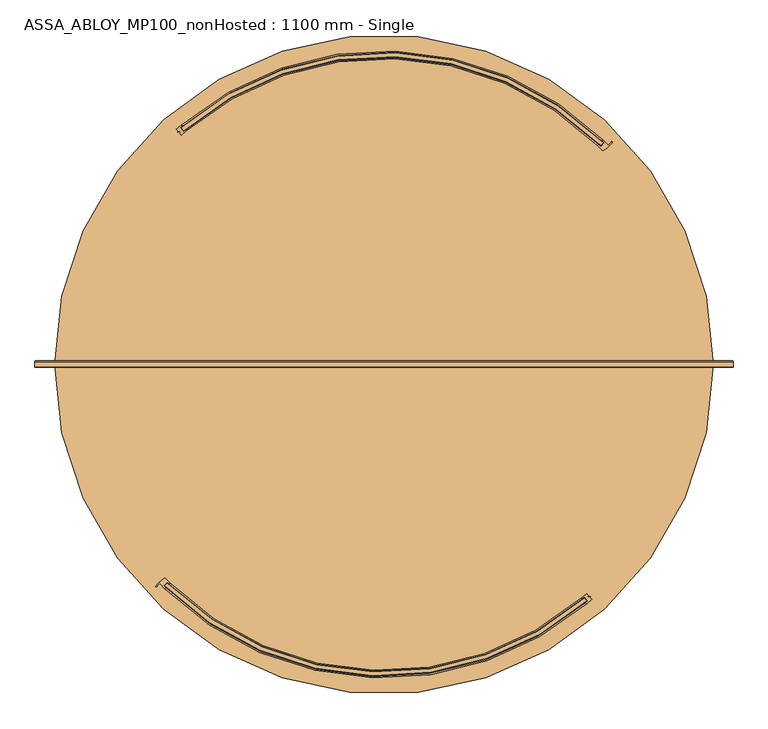
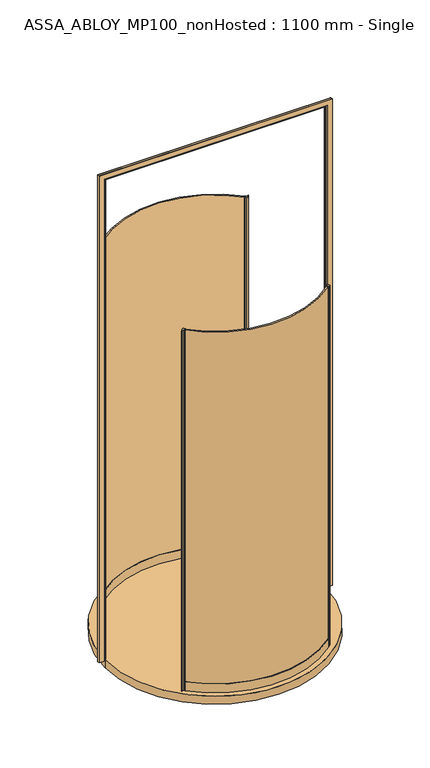
"""IFC4 building model written with IfcOpenShell, lengths in millimetres: door geometry, ASSA_ABLOY_MP100_nonHosted : 1100 mm - Single."""

from ifc_helpers import new_model, si_unit, point, frame, origin, origin_with_axes, origin_2d, place, context, project, spatial, polyline, circle_curve, ellipse_curve, trimmed, segment, composite_curve, outline, extrude, source, transform, mapped, element, save
from ifc_brep_helpers import plane_surface, cylinder_surface, revolved_surface, advanced_brep


def assa_abloy_mp100_nonhosted_1100_mm_single_00d1bc43(model_context):
    return source(origin(), model_context, "Body", "SolidModel", [
        extrude(outline(composite_curve([segment(trimmed(circle_curve(origin_2d(), 811.0), [point((-570.5467938, -576.3656444))], [point((527.7901271, -615.7585417))], True, "CARTESIAN"), True, "CONTINUOUS"), segment(polyline([(527.7901271, -615.7585417), (534.2527059, -623.3899632)]), True, "CONTINUOUS"), segment(trimmed(circle_curve(origin_2d(), 821.0), [point((534.2527059, -623.3899632))], [point((-577.5380783, -583.5158679))], False, "CARTESIAN"), True, "CONTINUOUS"), segment(polyline([(-577.5380783, -583.5158679), (-570.5467938, -576.3656444)]), True, "CONTINUOUS")], self_intersect=False)), origin_with_axes(), (0.0, 0.0, 1.0), 3000.0),
        extrude(outline(composite_curve([segment(polyline([(533.7320011, -603.9587328), (538.1381376, -609.1617774), (536.2303158, -610.7773936), (538.4921786, -613.4483442), (542.9676446, -611.336699), (543.6838658, -612.1824583), (542.3328773, -614.1151911), (546.6597375, -619.2246211)]), True, "CONTINUOUS"), segment(trimmed(circle_curve(origin_2d(), 826.0), [point((546.6597375, -619.2246211))], [point((533.7996152, -630.3443272))], False, "CARTESIAN"), True, "CONTINUOUS"), segment(polyline([(533.7996152, -630.3443272), (531.8608756, -628.054941)]), True, "CONTINUOUS"), segment(trimmed(circle_curve(origin_2d(), 823.0), [point((531.8608756, -628.054941))], [point((537.1835382, -623.5084974))], True, "CARTESIAN"), True, "CONTINUOUS"), segment(polyline([(537.1835382, -623.5084974), (528.1357541, -612.8243021)]), True, "CONTINUOUS"), segment(trimmed(circle_curve(origin_2d(), 809.0), [point((528.1357541, -612.8243021))], [point((522.6665724, -617.4954689))], False, "CARTESIAN"), True, "CONTINUOUS"), segment(polyline([(522.6665724, -617.4954689), (520.874685, -615.0817527)]), True, "CONTINUOUS"), segment(trimmed(circle_curve(origin_2d(), 806.0), [point((520.874685, -615.0817527))], [point((533.7320011, -603.9587328))], True, "CARTESIAN"), True, "CONTINUOUS")], self_intersect=False)), origin_with_axes(), (0.0, 0.0, 1.0), 3000.0),
        advanced_brep(
        [(-570.5480348, -573.5438015, 0.0), (-580.2493679, -583.6397745, 0.0), (-575.2379597, -588.5273597, 0.0), (-577.3165807, -590.6905367, 0.0), (-591.1628236, -576.824374, 0.0), (-598.3277619, -585.5163218, 0.0), (-600.8993118, -584.2003641, 0.0), (-579.0321791, -563.9142679, 0.0), (-575.3501747, -564.4128948, 0.0), (-563.4591077, -576.2693564, 0.0), (-565.5377286, -578.4325335, 0.0), (-570.5480348, -573.5438015, 3000.0), (-565.5377286, -578.4325335, 3000.0), (-563.4591077, -576.2693564, 3000.0), (-575.3501747, -564.4128948, 3000.0), (-579.0321791, -563.9142679, 3000.0), (-600.8993118, -584.2003641, 3000.0), (-598.3415678, -585.5091083, 3000.0), (-591.1628236, -576.824374, 3000.0), (-577.3165807, -590.6905367, 3000.0), (-575.2379597, -588.5273597, 3000.0), (-580.2493679, -583.6397745, 3000.0)],
        [
            (0, 1),
            (1, 2, circle_curve(frame((-248.5480336, -248.5480336, 0.0), z_axis=(0.0, 0.0, 1.0), x_axis=(-0.7071067811865529, 0.707106781186542, 0.0)), 471.5)),
            (2, 3),
            (3, 4, circle_curve(frame((-248.5480336, -248.5480336, 0.0), z_axis=(0.0, 0.0, -1.0), x_axis=(-0.7071067811865529, 0.707106781186542, 0.0)), 474.5)),
            (4, 5, circle_curve(frame((-574.144606, -598.1518865, 0.0), z_axis=(0.0, 0.0, 1.0), x_axis=(-0.7071067811865529, 0.707106781186542, 0.0)), 27.285207)),
            (5, 6, circle_curve(frame((-599.6148555, -584.8438225, 0.0), z_axis=(0.0, 0.0, -1.0), x_axis=(-0.7071067811865529, 0.707106781186542, 0.0)), 1.4366164)),
            (6, 7, circle_curve(frame((-543.451307, -624.1969482, 0.0), z_axis=(0.0, 0.0, -1.0), x_axis=(-0.7071067811865529, 0.707106781186542, 0.0)), 70.0)),
            (7, 8, circle_curve(frame((-577.5072846, -566.4978114, 0.0), z_axis=(0.0, 0.0, -1.0), x_axis=(-0.7071067811865529, 0.707106781186542, 0.0)), 3.0)),
            (8, 9, circle_curve(frame((-248.5480336, -248.5480336, 0.0), z_axis=(0.0, 0.0, 1.0), x_axis=(-0.7071067811865529, 0.707106781186542, 0.0)), 454.5)),
            (9, 10),
            (10, 0, circle_curve(frame((-248.5480336, -248.5480336, 0.0), z_axis=(0.0, 0.0, -1.0), x_axis=(-0.7071067811865529, 0.707106781186542, 0.0)), 457.5)),
            (11, 12, circle_curve(frame((-248.5480336, -248.5480336, 3000.0), z_axis=(0.0, 0.0, 1.0), x_axis=(-0.7071067811865529, 0.707106781186542, 0.0)), 457.5)),
            (12, 13),
            (13, 14, circle_curve(frame((-248.5480336, -248.5480336, 3000.0), z_axis=(0.0, 0.0, -1.0), x_axis=(-0.7071067811865529, 0.707106781186542, 0.0)), 454.5)),
            (14, 15, circle_curve(frame((-577.5072846, -566.4978114, 3000.0), z_axis=(0.0, 0.0, 1.0), x_axis=(-0.7071067811865529, 0.707106781186542, 0.0)), 3.0)),
            (15, 16, circle_curve(frame((-543.451307, -624.1969482, 3000.0), z_axis=(0.0, 0.0, 1.0), x_axis=(-0.7071067811865529, 0.707106781186542, 0.0)), 70.0)),
            (16, 17, circle_curve(frame((-599.6148555, -584.8438225, 3000.0), z_axis=(0.0, 0.0, 1.0), x_axis=(-0.7071067811865529, 0.707106781186542, 0.0)), 1.4366164)),
            (17, 18, circle_curve(frame((-574.144606, -598.1518865, 3000.0), z_axis=(0.0, 0.0, -1.0), x_axis=(-0.7071067811865529, 0.707106781186542, 0.0)), 27.285207)),
            (18, 19, circle_curve(frame((-248.5480336, -248.5480336, 3000.0), z_axis=(0.0, 0.0, 1.0), x_axis=(-0.7071067811865529, 0.707106781186542, 0.0)), 474.5)),
            (19, 20),
            (20, 21, circle_curve(frame((-248.5480336, -248.5480336, 3000.0), z_axis=(0.0, 0.0, -1.0), x_axis=(-0.7071067811865529, 0.707106781186542, 0.0)), 471.5)),
            (21, 11),
            (0, 11),
            (21, 1),
            (20, 2),
            (19, 3),
            (18, 4),
            (8, 14),
            (13, 9),
            (12, 10),
            (17, 5),
            (16, 6),
            (15, 7),
        ],
        [
            plane_surface(frame((-569.9280656, -569.9280656, 0.0), z_axis=(0.0, 0.0, -1.0000000000000002), x_axis=(-0.7071067811865421, -0.707106781186553, 0.0))),
            plane_surface(frame((-569.9280656, -569.9280656, 3000.0), z_axis=(0.0, 0.0, 1.0000000000000002), x_axis=(-0.7071067811865421, -0.707106781186553, 0.0))),
            plane_surface(frame((-570.5480348, -573.5438015, 0.0), z_axis=(0.7210590160944298, -0.6928736503208451, 0.0), x_axis=(0.0, 0.0, 1.0))),
            revolved_surface(polyline([(-581.9488809294596, 84.85281372945457, 3000.0), (-581.9488809294596, 84.85281372945457, 0.0)]), (-248.5480336, -248.5480336, 0.0), (0.0, 0.0, 1.0)),
            plane_surface(frame((-575.2379597, -588.5273597, 0.0), z_axis=(0.7210590160945622, -0.6928736503207074, 0.0), x_axis=(0.0, 0.0, 1.0))),
            cylinder_surface(frame((-248.5480336, -248.5480336, 0.0), z_axis=(0.0, 0.0, -1.0), x_axis=(-0.7071067811865529, 0.707106781186542, 0.0)), 474.5),
            revolved_surface(polyline([(-569.9280656492883, 72.83199844928333, 3000.0), (-569.9280656492883, 72.83199844928333, 0.0)]), (-248.5480336, -248.5480336, 0.0), (0.0, 0.0, 1.0)),
            plane_surface(frame((-563.4591077, -576.2693564, 0.0), z_axis=(0.721059016094641, -0.6928736503206255, 0.0), x_axis=(0.0, 0.0, 1.0))),
            cylinder_surface(frame((-248.5480336, -248.5480336, 0.0), z_axis=(0.0, 0.0, -1.0), x_axis=(-0.7071067811865529, 0.707106781186542, 0.0)), 457.5),
            revolved_surface(polyline([(-593.4381608957788, -578.8583316042216, 3000.0), (-593.4381608957788, -578.8583316042216, 0.0)]), (-574.144606, -598.1518865, 0.0), (0.0, 0.0, 1.0)),
            cylinder_surface(frame((-599.6148555, -584.8438225, 0.0), z_axis=(0.0, 0.0, -1.0), x_axis=(-0.7071067811865529, 0.707106781186542, 0.0)), 1.4366164),
            cylinder_surface(frame((-543.451307, -624.1969482, 0.0), z_axis=(0.0, 0.0, -1.0), x_axis=(-0.7071067811865529, 0.707106781186542, 0.0)), 70.0),
            cylinder_surface(frame((-577.5072846, -566.4978114, 0.0), z_axis=(0.0, 0.0, -1.0), x_axis=(-0.7071067811865529, 0.707106781186542, 0.0)), 3.0),
        ],
        [
            (0, [[1, 2, 3, 4, 5, 6, 7, 8, 9, 10, 11]]),
            (1, [[12, 13, 14, 15, 16, 17, 18, 19, 20, 21, 22]]),
            (2, [[-1, 23, -22, 24]]),
            (3, [[-2, -24, -21, 25]]),
            (4, [[-3, -25, -20, 26]]),
            (5, [[-4, -26, -19, 27]]),
            (6, [[-9, 28, -14, 29]]),
            (7, [[-10, -29, -13, 30]]),
            (8, [[-11, -30, -12, -23]]),
            (9, [[-5, -27, -18, 31]]),
            (10, [[-6, -31, -17, 32]]),
            (11, [[-7, -32, -16, 33]]),
            (12, [[-8, -33, -15, -28]]),
        ],
    ),
        advanced_brep(
        [(-563.4869482, -576.2971969, 73.0), (-563.4869482, -576.2971969, 0.0), (-565.5842942, -578.4422237, 0.0), (-565.5842942, -578.4422237, 24.0), (-575.3719086, -588.4523487, 24.0), (-575.3719086, -588.4523487, 0.0), (-577.4692546, -590.5973755, 0.0), (-577.4692546, -590.5973755, 73.0), (-575.3719086, -588.4523487, 73.0), (-575.3719086, -588.4523487, 39.0), (-565.5842942, -578.4422237, 39.0), (-565.5842942, -578.4422237, 73.0), (520.874685, -615.0817527, 73.0), (522.8134245, -617.3711389, 73.0), (522.8134245, -617.3711389, 39.0), (531.8608756, -628.054941, 39.0), (531.8608756, -628.054941, 73.0), (533.7996152, -630.3443272, 73.0), (533.7996152, -630.3443272, 0.0), (531.8608756, -628.054941, 0.0), (531.8608756, -628.054941, 24.0), (522.8134245, -617.3711389, 24.0), (522.8134245, -617.3711389, 0.0), (520.874685, -615.0817527, 0.0)],
        [
            (0, 1),
            (1, 2),
            (2, 3),
            (3, 4),
            (4, 5),
            (5, 6),
            (6, 7),
            (7, 8),
            (8, 9),
            (9, 10),
            (10, 11),
            (11, 0),
            (12, 13),
            (13, 14),
            (14, 15),
            (15, 16),
            (16, 17),
            (17, 18),
            (18, 19),
            (19, 20),
            (20, 21),
            (21, 22),
            (22, 23),
            (23, 12),
            (23, 1, circle_curve(frame((0.0, 0.0, 0.0), z_axis=(0.0, 0.0, -1.0), x_axis=(-0.6991153203487666, -0.7150089292125249, 0.0)), 806.0)),
            (0, 12, circle_curve(frame((0.0, 0.0, 73.0), z_axis=(0.0, 0.0, 1.0), x_axis=(-0.6991153203487666, -0.7150089292125249, 0.0)), 806.0)),
            (22, 2, circle_curve(frame((0.0, 0.0, 0.0), z_axis=(0.0, 0.0, -1.0), x_axis=(-0.6991153203487666, -0.7150089292125249, 0.0)), 809.0)),
            (21, 3, circle_curve(frame((0.0, 0.0, 24.0), z_axis=(0.0, 0.0, -1.0), x_axis=(-0.6991153203487666, -0.7150089292125249, 0.0)), 809.0)),
            (20, 4, circle_curve(frame((0.0, 0.0, 24.0), z_axis=(0.0, 0.0, -1.0), x_axis=(-0.6991153203487666, -0.7150089292125249, 0.0)), 823.0)),
            (19, 5, circle_curve(frame((0.0, 0.0, 0.0), z_axis=(0.0, 0.0, -1.0), x_axis=(-0.6991153203487666, -0.7150089292125249, 0.0)), 823.0)),
            (18, 6, circle_curve(frame((0.0, 0.0, 0.0), z_axis=(0.0, 0.0, -1.0), x_axis=(-0.6991153203487666, -0.7150089292125249, 0.0)), 826.0)),
            (17, 7, circle_curve(frame((0.0, 0.0, 73.0), z_axis=(0.0, 0.0, -1.0), x_axis=(-0.6991153203487666, -0.7150089292125249, 0.0)), 826.0)),
            (16, 8, circle_curve(frame((0.0, 0.0, 73.0), z_axis=(0.0, 0.0, -1.0), x_axis=(-0.6991153203487666, -0.7150089292125249, 0.0)), 823.0)),
            (15, 9, circle_curve(frame((0.0, 0.0, 39.0), z_axis=(0.0, 0.0, -1.0), x_axis=(-0.6991153203487666, -0.7150089292125249, 0.0)), 823.0)),
            (14, 10, circle_curve(frame((0.0, 0.0, 39.0), z_axis=(0.0, 0.0, -1.0), x_axis=(-0.6991153203487666, -0.7150089292125249, 0.0)), 809.0)),
            (13, 11, circle_curve(frame((0.0, 0.0, 73.0), z_axis=(0.0, 0.0, -1.0), x_axis=(-0.6991153203487666, -0.7150089292125249, 0.0)), 809.0)),
        ],
        [
            plane_surface(frame((-563.4869482, -576.2971969, 0.0), z_axis=(-0.7150089292125249, 0.6991153203487666, 0.0), x_axis=(0.0, 0.0, 1.0))),
            plane_surface(frame((520.874685, -615.0817527, 0.0), z_axis=(0.7631287254543887, 0.6462465074461605, 0.0), x_axis=(0.0, 0.0, 1.0))),
            revolved_surface(polyline([(-563.4869482011059, -576.2971969452951, 73.00000000000003), (-563.4869482011059, -576.2971969452951, 0.0)]), (0.0, 0.0, 0.0), (0.0, 0.0, 1.0000000000000002)),
            plane_surface(frame((0.0, 0.0, 0.0), z_axis=(0.0, 0.0, -1.0), x_axis=(-0.6991153203487666, -0.7150089292125249, 0.0))),
            cylinder_surface(frame((0.0, 0.0, 0.0), z_axis=(0.0, 0.0, 1.0000000000000002), x_axis=(-0.6991153203487666, -0.7150089292125249, 0.0)), 809.0),
            plane_surface(frame((0.0, 0.0, 24.0), z_axis=(0.0, 0.0, -1.0), x_axis=(-0.6991153203487666, -0.7150089292125249, 0.0))),
            revolved_surface(polyline([(-575.3719086470348, -588.4523487419079, 24.000000000000014), (-575.3719086470348, -588.4523487419079, 0.0)]), (0.0, 0.0, 0.0), (0.0, 0.0, 1.0000000000000002)),
            cylinder_surface(frame((0.0, 0.0, 0.0), z_axis=(0.0, 0.0, 1.0000000000000002), x_axis=(-0.6991153203487666, -0.7150089292125249, 0.0)), 826.0),
            plane_surface(frame((0.0, 0.0, 73.0), z_axis=(0.0, 0.0, 1.0), x_axis=(-0.6991153203487666, -0.7150089292125249, 0.0))),
            revolved_surface(polyline([(-575.3719086470348, -588.4523487419079, 73.00000000000003), (-575.3719086470348, -588.4523487419079, 39.000000000000014)]), (0.0, 0.0, 0.0), (0.0, 0.0, 1.0000000000000002)),
            plane_surface(frame((0.0, 0.0, 39.0), z_axis=(0.0, 0.0, 1.0), x_axis=(-0.6991153203487666, -0.7150089292125249, 0.0))),
        ],
        [
            (0, [[1, 2, 3, 4, 5, 6, 7, 8, 9, 10, 11, 12]]),
            (1, [[13, 14, 15, 16, 17, 18, 19, 20, 21, 22, 23, 24]]),
            (2, [[25, -1, 26, -24]]),
            (3, [[27, -2, -25, -23]]),
            (4, [[28, -3, -27, -22]]),
            (5, [[29, -4, -28, -21]]),
            (6, [[30, -5, -29, -20]]),
            (3, [[31, -6, -30, -19]]),
            (7, [[32, -7, -31, -18]]),
            (8, [[33, -8, -32, -17]]),
            (9, [[34, -9, -33, -16]]),
            (10, [[35, -10, -34, -15]]),
            (4, [[36, -11, -35, -14]]),
            (8, [[-26, -12, -36, -13]]),
        ],
    ),
        extrude(outline(composite_curve([segment(trimmed(circle_curve(origin_2d(), 811.0), [point((570.5467938, 576.3656444))], [point((-527.7901271, 615.7585417))], True, "CARTESIAN"), True, "CONTINUOUS"), segment(polyline([(-527.7901271, 615.7585417), (-534.2527059, 623.3899632)]), True, "CONTINUOUS"), segment(trimmed(circle_curve(origin_2d(), 821.0), [point((-534.2527059, 623.3899632))], [point((577.5380783, 583.5158679))], False, "CARTESIAN"), True, "CONTINUOUS"), segment(polyline([(577.5380783, 583.5158679), (570.5467938, 576.3656444)]), True, "CONTINUOUS")], self_intersect=False)), origin_with_axes(), (0.0, 0.0, 1.0), 3000.0),
        extrude(outline(composite_curve([segment(polyline([(-533.7320011, 603.9587328), (-538.1381376, 609.1617774), (-536.2303158, 610.7773936), (-538.4921786, 613.4483442), (-542.9676446, 611.336699), (-543.6838658, 612.1824583), (-542.3328773, 614.1151911), (-546.6597375, 619.2246211)]), True, "CONTINUOUS"), segment(trimmed(circle_curve(origin_2d(), 826.0), [point((-546.6597375, 619.2246211))], [point((-533.7996152, 630.3443272))], False, "CARTESIAN"), True, "CONTINUOUS"), segment(polyline([(-533.7996152, 630.3443272), (-531.8608756, 628.054941)]), True, "CONTINUOUS"), segment(trimmed(circle_curve(origin_2d(), 823.0), [point((-531.8608756, 628.054941))], [point((-537.1835382, 623.5084974))], True, "CARTESIAN"), True, "CONTINUOUS"), segment(polyline([(-537.1835382, 623.5084974), (-528.1357541, 612.8243021)]), True, "CONTINUOUS"), segment(trimmed(circle_curve(origin_2d(), 809.0), [point((-528.1357541, 612.8243021))], [point((-522.6665724, 617.4954689))], False, "CARTESIAN"), True, "CONTINUOUS"), segment(polyline([(-522.6665724, 617.4954689), (-520.874685, 615.0817527)]), True, "CONTINUOUS"), segment(trimmed(circle_curve(origin_2d(), 806.0), [point((-520.874685, 615.0817527))], [point((-533.7320011, 603.9587328))], True, "CARTESIAN"), True, "CONTINUOUS")], self_intersect=False)), origin_with_axes(), (0.0, 0.0, 1.0), 3000.0),
        advanced_brep(
        [(570.5480348, 573.5438015, 0.0), (580.2493679, 583.6397745, 0.0), (575.2379597, 588.5273597, 0.0), (577.3165807, 590.6905367, 0.0), (591.1628236, 576.824374, 0.0), (598.3277619, 585.5163218, 0.0), (600.8993118, 584.2003641, 0.0), (579.0321791, 563.9142679, 0.0), (575.3501747, 564.4128948, 0.0), (563.4591077, 576.2693564, 0.0), (565.5377286, 578.4325335, 0.0), (570.5480348, 573.5438015, 3000.0), (565.5377286, 578.4325335, 3000.0), (563.4591077, 576.2693564, 3000.0), (575.3501747, 564.4128948, 3000.0), (579.0321791, 563.9142679, 3000.0), (600.8993118, 584.2003641, 3000.0), (598.3415678, 585.5091083, 3000.0), (591.1628236, 576.824374, 3000.0), (577.3165807, 590.6905367, 3000.0), (575.2379597, 588.5273597, 3000.0), (580.2493679, 583.6397745, 3000.0)],
        [
            (0, 1),
            (1, 2, circle_curve(frame((248.5480336, 248.5480336, 0.0), z_axis=(0.0, 0.0, 1.0), x_axis=(0.7071067811865528, -0.7071067811865412, 0.0)), 471.5)),
            (2, 3),
            (3, 4, circle_curve(frame((248.5480336, 248.5480336, 0.0), z_axis=(0.0, 0.0, -1.0), x_axis=(0.7071067811865528, -0.7071067811865412, 0.0)), 474.5)),
            (4, 5, circle_curve(frame((574.144606, 598.1518865, 0.0), z_axis=(0.0, 0.0, 1.0), x_axis=(0.7071067811865528, -0.7071067811865412, 0.0)), 27.285207)),
            (5, 6, circle_curve(frame((599.6148555, 584.8438225, 0.0), z_axis=(0.0, 0.0, -1.0), x_axis=(0.7071067811865528, -0.7071067811865412, 0.0)), 1.4366164)),
            (6, 7, circle_curve(frame((543.451307, 624.1969482, 0.0), z_axis=(0.0, 0.0, -1.0), x_axis=(0.7071067811865528, -0.7071067811865412, 0.0)), 70.0)),
            (7, 8, circle_curve(frame((577.5072846, 566.4978114, 0.0), z_axis=(0.0, 0.0, -1.0), x_axis=(0.7071067811865528, -0.7071067811865412, 0.0)), 3.0)),
            (8, 9, circle_curve(frame((248.5480336, 248.5480336, 0.0), z_axis=(0.0, 0.0, 1.0), x_axis=(0.7071067811865528, -0.7071067811865412, 0.0)), 454.5)),
            (9, 10),
            (10, 0, circle_curve(frame((248.5480336, 248.5480336, 0.0), z_axis=(0.0, 0.0, -1.0), x_axis=(0.7071067811865528, -0.7071067811865412, 0.0)), 457.5)),
            (11, 12, circle_curve(frame((248.5480336, 248.5480336, 3000.0), z_axis=(0.0, 0.0, 1.0), x_axis=(0.7071067811865528, -0.7071067811865412, 0.0)), 457.5)),
            (12, 13),
            (13, 14, circle_curve(frame((248.5480336, 248.5480336, 3000.0), z_axis=(0.0, 0.0, -1.0), x_axis=(0.7071067811865528, -0.7071067811865412, 0.0)), 454.5)),
            (14, 15, circle_curve(frame((577.5072846, 566.4978114, 3000.0), z_axis=(0.0, 0.0, 1.0), x_axis=(0.7071067811865528, -0.7071067811865412, 0.0)), 3.0)),
            (15, 16, circle_curve(frame((543.451307, 624.1969482, 3000.0), z_axis=(0.0, 0.0, 1.0), x_axis=(0.7071067811865528, -0.7071067811865412, 0.0)), 70.0)),
            (16, 17, circle_curve(frame((599.6148555, 584.8438225, 3000.0), z_axis=(0.0, 0.0, 1.0), x_axis=(0.7071067811865528, -0.7071067811865412, 0.0)), 1.4366164)),
            (17, 18, circle_curve(frame((574.144606, 598.1518865, 3000.0), z_axis=(0.0, 0.0, -1.0), x_axis=(0.7071067811865528, -0.7071067811865412, 0.0)), 27.285207)),
            (18, 19, circle_curve(frame((248.5480336, 248.5480336, 3000.0), z_axis=(0.0, 0.0, 1.0), x_axis=(0.7071067811865528, -0.7071067811865412, 0.0)), 474.5)),
            (19, 20),
            (20, 21, circle_curve(frame((248.5480336, 248.5480336, 3000.0), z_axis=(0.0, 0.0, -1.0), x_axis=(0.7071067811865528, -0.7071067811865412, 0.0)), 471.5)),
            (21, 11),
            (0, 11),
            (21, 1),
            (20, 2),
            (19, 3),
            (18, 4),
            (8, 14),
            (13, 9),
            (12, 10),
            (17, 5),
            (16, 6),
            (15, 7),
        ],
        [
            plane_surface(frame((569.9280656, 569.9280656, 0.0), z_axis=(0.0, 0.0, -1.0), x_axis=(0.7071067811865418, 0.7071067811865533, 0.0))),
            plane_surface(frame((569.9280656, 569.9280656, 3000.0), z_axis=(0.0, 0.0, 1.0), x_axis=(0.7071067811865418, 0.7071067811865533, 0.0))),
            plane_surface(frame((570.5480348, 573.5438015, 0.0), z_axis=(-0.7210590160944301, 0.6928736503208448, 0.0), x_axis=(0.0, 0.0, 1.0))),
            revolved_surface(polyline([(581.9488809294596, -84.85281372945423, 3000.0), (581.9488809294596, -84.85281372945423, 0.0)]), (248.5480336, 248.5480336, 0.0), (0.0, 0.0, 1.0)),
            plane_surface(frame((575.2379597, 588.5273597, 0.0), z_axis=(-0.7210590160945626, 0.692873650320707, 0.0), x_axis=(0.0, 0.0, 1.0))),
            cylinder_surface(frame((248.5480336, 248.5480336, 0.0), z_axis=(0.0, 0.0, -1.0), x_axis=(0.7071067811865528, -0.7071067811865412, 0.0)), 474.5),
            revolved_surface(polyline([(569.9280656492882, -72.83199844928299, 3000.0), (569.9280656492882, -72.83199844928299, 0.0)]), (248.5480336, 248.5480336, 0.0), (0.0, 0.0, 1.0)),
            plane_surface(frame((563.4591077, 576.2693564, 0.0), z_axis=(-0.7210590160946412, 0.6928736503206251, 0.0), x_axis=(0.0, 0.0, 1.0))),
            cylinder_surface(frame((248.5480336, 248.5480336, 0.0), z_axis=(0.0, 0.0, -1.0), x_axis=(0.7071067811865528, -0.7071067811865412, 0.0)), 457.5),
            revolved_surface(polyline([(593.4381608957788, 578.8583316042216, 3000.0), (593.4381608957788, 578.8583316042216, 0.0)]), (574.144606, 598.1518865, 0.0), (0.0, 0.0, 1.0)),
            cylinder_surface(frame((599.6148555, 584.8438225, 0.0), z_axis=(0.0, 0.0, -1.0), x_axis=(0.7071067811865528, -0.7071067811865412, 0.0)), 1.4366164),
            cylinder_surface(frame((543.451307, 624.1969482, 0.0), z_axis=(0.0, 0.0, -1.0), x_axis=(0.7071067811865528, -0.7071067811865412, 0.0)), 70.0),
            cylinder_surface(frame((577.5072846, 566.4978114, 0.0), z_axis=(0.0, 0.0, -1.0), x_axis=(0.7071067811865528, -0.7071067811865412, 0.0)), 3.0),
        ],
        [
            (0, [[1, 2, 3, 4, 5, 6, 7, 8, 9, 10, 11]]),
            (1, [[12, 13, 14, 15, 16, 17, 18, 19, 20, 21, 22]]),
            (2, [[-1, 23, -22, 24]]),
            (3, [[-2, -24, -21, 25]]),
            (4, [[-3, -25, -20, 26]]),
            (5, [[-4, -26, -19, 27]]),
            (6, [[-9, 28, -14, 29]]),
            (7, [[-10, -29, -13, 30]]),
            (8, [[-11, -30, -12, -23]]),
            (9, [[-5, -27, -18, 31]]),
            (10, [[-6, -31, -17, 32]]),
            (11, [[-7, -32, -16, 33]]),
            (12, [[-8, -33, -15, -28]]),
        ],
    ),
        advanced_brep(
        [(563.4869482, 576.2971969, 73.0), (563.4869482, 576.2971969, 0.0), (565.5842942, 578.4422237, 0.0), (565.5842942, 578.4422237, 24.0), (575.3719086, 588.4523487, 24.0), (575.3719086, 588.4523487, 0.0), (577.4692546, 590.5973755, 0.0), (577.4692546, 590.5973755, 73.0), (575.3719086, 588.4523487, 73.0), (575.3719086, 588.4523487, 39.0), (565.5842942, 578.4422237, 39.0), (565.5842942, 578.4422237, 73.0), (-520.874685, 615.0817527, 73.0), (-522.8134245, 617.3711389, 73.0), (-522.8134245, 617.3711389, 39.0), (-531.8608756, 628.054941, 39.0), (-531.8608756, 628.054941, 73.0), (-533.7996152, 630.3443272, 73.0), (-533.7996152, 630.3443272, 0.0), (-531.8608756, 628.054941, 0.0), (-531.8608756, 628.054941, 24.0), (-522.8134245, 617.3711389, 24.0), (-522.8134245, 617.3711389, 0.0), (-520.874685, 615.0817527, 0.0)],
        [
            (0, 1),
            (1, 2),
            (2, 3),
            (3, 4),
            (4, 5),
            (5, 6),
            (6, 7),
            (7, 8),
            (8, 9),
            (9, 10),
            (10, 11),
            (11, 0),
            (12, 13),
            (13, 14),
            (14, 15),
            (15, 16),
            (16, 17),
            (17, 18),
            (18, 19),
            (19, 20),
            (20, 21),
            (21, 22),
            (22, 23),
            (23, 12),
            (23, 1, circle_curve(frame((0.0, 0.0, 0.0), z_axis=(0.0, 0.0, -1.0), x_axis=(0.6991153203487658, 0.7150089292125248, 0.0)), 806.0)),
            (0, 12, circle_curve(frame((0.0, 0.0, 73.0), z_axis=(0.0, 0.0, 1.0), x_axis=(0.6991153203487658, 0.7150089292125248, 0.0)), 806.0)),
            (22, 2, circle_curve(frame((0.0, 0.0, 0.0), z_axis=(0.0, 0.0, -1.0), x_axis=(0.6991153203487658, 0.7150089292125248, 0.0)), 809.0)),
            (21, 3, circle_curve(frame((0.0, 0.0, 24.0), z_axis=(0.0, 0.0, -1.0), x_axis=(0.6991153203487658, 0.7150089292125248, 0.0)), 809.0)),
            (20, 4, circle_curve(frame((0.0, 0.0, 24.0), z_axis=(0.0, 0.0, -1.0), x_axis=(0.6991153203487658, 0.7150089292125248, 0.0)), 823.0)),
            (19, 5, circle_curve(frame((0.0, 0.0, 0.0), z_axis=(0.0, 0.0, -1.0), x_axis=(0.6991153203487658, 0.7150089292125248, 0.0)), 823.0)),
            (18, 6, circle_curve(frame((0.0, 0.0, 0.0), z_axis=(0.0, 0.0, -1.0), x_axis=(0.6991153203487658, 0.7150089292125248, 0.0)), 826.0)),
            (17, 7, circle_curve(frame((0.0, 0.0, 73.0), z_axis=(0.0, 0.0, -1.0), x_axis=(0.6991153203487658, 0.7150089292125248, 0.0)), 826.0)),
            (16, 8, circle_curve(frame((0.0, 0.0, 73.0), z_axis=(0.0, 0.0, -1.0), x_axis=(0.6991153203487658, 0.7150089292125248, 0.0)), 823.0)),
            (15, 9, circle_curve(frame((0.0, 0.0, 39.0), z_axis=(0.0, 0.0, -1.0), x_axis=(0.6991153203487658, 0.7150089292125248, 0.0)), 823.0)),
            (14, 10, circle_curve(frame((0.0, 0.0, 39.0), z_axis=(0.0, 0.0, -1.0), x_axis=(0.6991153203487658, 0.7150089292125248, 0.0)), 809.0)),
            (13, 11, circle_curve(frame((0.0, 0.0, 73.0), z_axis=(0.0, 0.0, -1.0), x_axis=(0.6991153203487658, 0.7150089292125248, 0.0)), 809.0)),
        ],
        [
            plane_surface(frame((563.4869482, 576.2971969, 0.0), z_axis=(0.7150089292125252, -0.6991153203487662, 0.0), x_axis=(0.0, 0.0, 1.0))),
            plane_surface(frame((-520.874685, 615.0817527, 0.0), z_axis=(-0.7631287254543884, -0.6462465074461609, 0.0), x_axis=(0.0, 0.0, 1.0))),
            revolved_surface(polyline([(563.4869482011052, 576.297196945295, 73.00000000000003), (563.4869482011052, 576.297196945295, 0.0)]), (0.0, 0.0, 0.0), (0.0, 0.0, 1.0000000000000002)),
            plane_surface(frame((0.0, 0.0, 0.0), z_axis=(0.0, 0.0, -1.0), x_axis=(0.6991153203487662, 0.7150089292125252, 0.0))),
            cylinder_surface(frame((0.0, 0.0, 0.0), z_axis=(0.0, 0.0, 1.0000000000000002), x_axis=(0.6991153203487658, 0.7150089292125248, 0.0)), 809.0),
            plane_surface(frame((0.0, 0.0, 24.0), z_axis=(0.0, 0.0, -1.0), x_axis=(0.6991153203487662, 0.7150089292125252, 0.0))),
            revolved_surface(polyline([(575.3719086470343, 588.4523487419079, 24.000000000000014), (575.3719086470343, 588.4523487419079, 0.0)]), (0.0, 0.0, 0.0), (0.0, 0.0, 1.0000000000000002)),
            cylinder_surface(frame((0.0, 0.0, 0.0), z_axis=(0.0, 0.0, 1.0000000000000002), x_axis=(0.6991153203487658, 0.7150089292125248, 0.0)), 826.0),
            plane_surface(frame((0.0, 0.0, 73.0), z_axis=(0.0, 0.0, 1.0), x_axis=(0.6991153203487662, 0.7150089292125252, 0.0))),
            revolved_surface(polyline([(575.3719086470343, 588.4523487419079, 73.00000000000003), (575.3719086470343, 588.4523487419079, 39.000000000000014)]), (0.0, 0.0, 0.0), (0.0, 0.0, 1.0000000000000002)),
            plane_surface(frame((0.0, 0.0, 39.0), z_axis=(0.0, 0.0, 1.0), x_axis=(0.6991153203487662, 0.7150089292125252, 0.0))),
        ],
        [
            (0, [[1, 2, 3, 4, 5, 6, 7, 8, 9, 10, 11, 12]]),
            (1, [[13, 14, 15, 16, 17, 18, 19, 20, 21, 22, 23, 24]]),
            (2, [[25, -1, 26, -24]]),
            (3, [[27, -2, -25, -23]]),
            (4, [[28, -3, -27, -22]]),
            (5, [[29, -4, -28, -21]]),
            (6, [[30, -5, -29, -20]]),
            (3, [[31, -6, -30, -19]]),
            (7, [[32, -7, -31, -18]]),
            (8, [[33, -8, -32, -17]]),
            (9, [[34, -9, -33, -16]]),
            (10, [[35, -10, -34, -15]]),
            (4, [[36, -11, -35, -14]]),
            (8, [[-26, -12, -36, -13]]),
        ],
    ),
        extrude(outline(composite_curve([segment(trimmed(circle_curve(origin_2d(), 867.5), [point((-867.5, 0.0))], [point((867.5, 0.0))], False, "CARTESIAN"), True, "CONTINUOUS"), segment(trimmed(circle_curve(origin_2d(), 867.5), [point((867.5, 0.0))], [point((-867.5, 0.0))], False, "CARTESIAN"), True, "CONTINUOUS")], self_intersect=False)), frame((0.0, 0.0, -65.0), z_axis=(0.0, 0.0, 1.0), x_axis=(1.0, 0.0, 0.0)), (0.0, 0.0, 1.0), 65.0),
        advanced_brep(
        [(868.4, 6.0, 0.0), (870.6980762, 6.0, 0.0), (871.5980762, 5.1, 0.0), (871.5980762, -5.1, 0.0), (870.6980762, -6.0, 0.0), (868.4, -6.0, 0.0), (867.5, -5.1, 0.0), (867.5, 5.1, 0.0), (-868.4, 6.0, 0.0), (-867.5, 5.1, 0.0), (-867.5, -5.1, 0.0), (-868.4, -6.0, 0.0), (-870.6980762, -6.0, 0.0), (-871.5980762, -5.1, 0.0), (-871.5980762, 5.1, 0.0), (-870.6980762, 6.0, 0.0), (868.4, 6.0, 4001.8), (-868.4, 6.0, 4001.8), (-870.6980762, 6.0, 4004.0980762), (870.6980762, 6.0, 4004.0980762), (871.5980762, 5.1, 4004.9980762), (871.5980762, -5.1, 4004.9980762), (870.6980762, -6.0, 4004.0980762), (-870.6980762, -6.0, 4004.0980762), (-868.4, -6.0, 4001.8), (868.4, -6.0, 4001.8), (867.5, -5.1, 4000.9), (867.5, 5.1, 4000.9), (-871.5980762, 5.1, 4004.9980762), (-871.5980762, -5.1, 4004.9980762), (-867.5, -5.1, 4000.9), (-867.5, 5.1, 4000.9)],
        [
            (0, 1),
            (1, 2, circle_curve(frame((870.6980762, 5.1, 0.0), z_axis=(0.0, 0.0, -1.0), x_axis=(-1.0, 0.0, 0.0)), 0.9)),
            (2, 3),
            (3, 4, circle_curve(frame((870.6980762, -5.1, 0.0), z_axis=(0.0, 0.0, -1.0), x_axis=(-1.0, 0.0, 0.0)), 0.9)),
            (4, 5),
            (5, 6, circle_curve(frame((868.4, -5.1, 0.0), z_axis=(0.0, 0.0, -1.0), x_axis=(-1.0, 0.0, 0.0)), 0.9)),
            (6, 7),
            (7, 0, circle_curve(frame((868.4, 5.1, 0.0), z_axis=(0.0, 0.0, -1.0), x_axis=(-1.0, 0.0, 0.0)), 0.9)),
            (8, 9, circle_curve(frame((-868.4, 5.1, 0.0), z_axis=(0.0, 0.0, -1.0), x_axis=(1.0, 0.0, 0.0)), 0.9)),
            (9, 10),
            (10, 11, circle_curve(frame((-868.4, -5.1, 0.0), z_axis=(0.0, 0.0, -1.0), x_axis=(1.0, 0.0, 0.0)), 0.9)),
            (11, 12),
            (12, 13, circle_curve(frame((-870.6980762, -5.1, 0.0), z_axis=(0.0, 0.0, -1.0), x_axis=(1.0, 0.0, 0.0)), 0.9)),
            (13, 14),
            (14, 15, circle_curve(frame((-870.6980762, 5.1, 0.0), z_axis=(0.0, 0.0, -1.0), x_axis=(1.0, 0.0, 0.0)), 0.9)),
            (15, 8),
            (0, 16),
            (16, 17),
            (17, 8),
            (15, 18),
            (18, 19),
            (19, 1),
            (19, 20, ellipse_curve(frame((870.6980762, 5.1, 4004.0980762), z_axis=(0.7071067811865475, 0.0, -0.7071067811865475), x_axis=(-0.7071067811865474, 0.0, -0.7071067811865476)), 1.2727922, 0.9)),
            (20, 2),
            (20, 21),
            (21, 3),
            (21, 22, ellipse_curve(frame((870.6980762, -5.1, 4004.0980762), z_axis=(0.7071067811865475, 0.0, -0.7071067811865475), x_axis=(-0.7071067811865474, 0.0, -0.7071067811865476)), 1.2727922, 0.9)),
            (22, 4),
            (22, 23),
            (23, 12),
            (11, 24),
            (24, 25),
            (25, 5),
            (25, 26, ellipse_curve(frame((868.4, -5.1, 4001.8), z_axis=(0.7071067811865475, 0.0, -0.7071067811865475), x_axis=(-0.7071067811865474, 0.0, -0.7071067811865476)), 1.2727922, 0.9)),
            (26, 6),
            (26, 27),
            (27, 7),
            (27, 16, ellipse_curve(frame((868.4, 5.1, 4001.8), z_axis=(0.7071067811865475, 0.0, -0.7071067811865475), x_axis=(-0.7071067811865474, 0.0, -0.7071067811865476)), 1.2727922, 0.9)),
            (18, 28, ellipse_curve(frame((-870.6980762, 5.1, 4004.0980762), z_axis=(0.7071067811865475, 0.0, 0.7071067811865475), x_axis=(0.7071067811865476, 0.0, -0.7071067811865474)), 1.2727922, 0.9)),
            (28, 20),
            (28, 29),
            (29, 21),
            (29, 23, ellipse_curve(frame((-870.6980762, -5.1, 4004.0980762), z_axis=(0.7071067811865475, 0.0, 0.7071067811865475), x_axis=(0.7071067811865476, 0.0, -0.7071067811865474)), 1.2727922, 0.9)),
            (24, 30, ellipse_curve(frame((-868.4, -5.1, 4001.8), z_axis=(0.7071067811865475, 0.0, 0.7071067811865475), x_axis=(0.7071067811865476, 0.0, -0.7071067811865474)), 1.2727922, 0.9)),
            (30, 26),
            (30, 31),
            (31, 27),
            (31, 17, ellipse_curve(frame((-868.4, 5.1, 4001.8), z_axis=(0.7071067811865475, 0.0, 0.7071067811865475), x_axis=(0.7071067811865476, 0.0, -0.7071067811865474)), 1.2727922, 0.9)),
            (14, 28),
            (13, 29),
            (10, 30),
            (9, 31),
        ],
        [
            plane_surface(frame((871.6, 0.0, 0.0), z_axis=(0.0, 0.0, -1.0), x_axis=(0.0, -1.0, 0.0))),
            plane_surface(frame((-871.6, 0.0, 0.0), z_axis=(0.0, 0.0, -1.0), x_axis=(0.0, -1.0, 0.0))),
            plane_surface(frame((868.4, 6.0, 0.0), z_axis=(0.0, 1.0, 0.0), x_axis=(0.0, 0.0, 1.0))),
            cylinder_surface(frame((870.6980762, 5.1, 0.0), z_axis=(0.0, 0.0, -1.0), x_axis=(-1.0, 0.0, 0.0)), 0.9),
            plane_surface(frame((871.5980762, 5.1, 0.0), z_axis=(1.0, 0.0, 0.0), x_axis=(0.0, 0.0, 1.0))),
            cylinder_surface(frame((870.6980762, -5.1, 0.0), z_axis=(0.0, 0.0, -1.0), x_axis=(-1.0, 0.0, 0.0)), 0.9),
            plane_surface(frame((870.6980762, -6.0, 0.0), z_axis=(0.0, -1.0, 0.0), x_axis=(0.0, 0.0, 1.0))),
            cylinder_surface(frame((868.4, -5.1, 0.0), z_axis=(0.0, 0.0, -1.0), x_axis=(-1.0, 0.0, 0.0)), 0.9),
            plane_surface(frame((867.5, -5.1, 0.0), z_axis=(-1.0, 0.0, 0.0), x_axis=(0.0, 0.0, 1.0))),
            cylinder_surface(frame((868.4, 5.1, 0.0), z_axis=(0.0, 0.0, -1.0), x_axis=(-1.0, 0.0, 0.0)), 0.9),
            cylinder_surface(frame((871.6, 5.1, 4004.0980762), z_axis=(1.0, 0.0, 0.0), x_axis=(0.0, 0.0, -1.0)), 0.9),
            plane_surface(frame((871.5980762, 5.1, 4004.9980762), z_axis=(0.0, 0.0, 1.0), x_axis=(-1.0, 0.0, 0.0))),
            cylinder_surface(frame((871.6, -5.1, 4004.0980762), z_axis=(1.0, 0.0, 0.0), x_axis=(0.0, 0.0, -1.0)), 0.9),
            cylinder_surface(frame((871.6, -5.1, 4001.8), z_axis=(1.0, 0.0, 0.0), x_axis=(0.0, 0.0, -1.0)), 0.9),
            plane_surface(frame((867.5, -5.1, 4000.9), z_axis=(0.0, 0.0, -1.0), x_axis=(-1.0, 0.0, 0.0))),
            cylinder_surface(frame((871.6, 5.1, 4001.8), z_axis=(1.0, 0.0, 0.0), x_axis=(0.0, 0.0, -1.0)), 0.9),
            cylinder_surface(frame((-870.6980762, 5.1, 4005.0), z_axis=(0.0, 0.0, 1.0), x_axis=(1.0, 0.0, 0.0)), 0.9),
            plane_surface(frame((-871.5980762, 5.1, 4004.9980762), z_axis=(-1.0, 0.0, 0.0), x_axis=(0.0, 0.0, -1.0))),
            cylinder_surface(frame((-870.6980762, -5.1, 4005.0), z_axis=(0.0, 0.0, 1.0), x_axis=(1.0, 0.0, 0.0)), 0.9),
            cylinder_surface(frame((-868.4, -5.1, 4005.0), z_axis=(0.0, 0.0, 1.0), x_axis=(1.0, 0.0, 0.0)), 0.9),
            plane_surface(frame((-867.5, -5.1, 4000.9), z_axis=(1.0, 0.0, 0.0), x_axis=(0.0, 0.0, -1.0))),
            cylinder_surface(frame((-868.4, 5.1, 4005.0), z_axis=(0.0, 0.0, 1.0), x_axis=(1.0, 0.0, 0.0)), 0.9),
        ],
        [
            (0, [[1, 2, 3, 4, 5, 6, 7, 8]]),
            (1, [[9, 10, 11, 12, 13, 14, 15, 16]]),
            (2, [[-1, 17, 18, 19, -16, 20, 21, 22]]),
            (3, [[-2, -22, 23, 24]]),
            (4, [[-3, -24, 25, 26]]),
            (5, [[-4, -26, 27, 28]]),
            (6, [[-5, -28, 29, 30, -12, 31, 32, 33]]),
            (7, [[-6, -33, 34, 35]]),
            (8, [[-7, -35, 36, 37]]),
            (9, [[-8, -37, 38, -17]]),
            (10, [[-23, -21, 39, 40]]),
            (11, [[-25, -40, 41, 42]]),
            (12, [[-27, -42, 43, -29]]),
            (13, [[-34, -32, 44, 45]]),
            (14, [[-36, -45, 46, 47]]),
            (15, [[-38, -47, 48, -18]]),
            (16, [[-39, -20, -15, 49]]),
            (17, [[-41, -49, -14, 50]]),
            (18, [[-43, -50, -13, -30]]),
            (19, [[-44, -31, -11, 51]]),
            (20, [[-46, -51, -10, 52]]),
            (21, [[-48, -52, -9, -19]]),
        ],
    ),
        advanced_brep(
        [(918.9209519, 8.5, 0.0), (919.5980762, 7.0, 0.0), (919.5980762, -7.0, 0.0), (918.9209519, -8.5, 0.0), (879.5980762, -8.5, 0.0), (879.5980762, 8.5, 0.0), (-918.9209519, 8.5, 0.0), (-879.5980762, 8.5, 0.0), (-879.5980762, -8.5, 0.0), (-918.9209519, -8.5, 0.0), (-919.5980762, -7.0, 0.0), (-919.5980762, 7.0, 0.0), (918.9209519, 8.5, 4052.3209519), (919.5980762, 7.0, 4052.9980762), (919.5980762, -7.0, 4052.9980762), (918.9209519, -8.5, 4052.3209519), (-918.9209519, -8.5, 4052.3209519), (-879.5980762, -8.5, 4012.9980762), (879.5980762, -8.5, 4012.9980762), (879.5980762, 8.5, 4012.9980762), (-879.5980762, 8.5, 4012.9980762), (-918.9209519, 8.5, 4052.3209519), (-919.5980762, 7.0, 4052.9980762), (-919.5980762, -7.0, 4052.9980762)],
        [
            (0, 1, circle_curve(frame((917.5980762, 7.0, 0.0), z_axis=(0.0, 0.0, -1.0), x_axis=(-1.0, 0.0, 0.0)), 2.0)),
            (1, 2),
            (2, 3, circle_curve(frame((917.5980762, -7.0, 0.0), z_axis=(0.0, 0.0, -1.0), x_axis=(-1.0, 0.0, 0.0)), 2.0)),
            (3, 4),
            (4, 5),
            (5, 0),
            (6, 7),
            (7, 8),
            (8, 9),
            (9, 10, circle_curve(frame((-917.5980762, -7.0, 0.0), z_axis=(0.0, 0.0, -1.0), x_axis=(1.0, 0.0, 0.0)), 2.0)),
            (10, 11),
            (11, 6, circle_curve(frame((-917.5980762, 7.0, 0.0), z_axis=(0.0, 0.0, -1.0), x_axis=(1.0, 0.0, 0.0)), 2.0)),
            (0, 12),
            (12, 13, ellipse_curve(frame((917.5980762, 7.0, 4050.9980762), z_axis=(0.7071067811865475, 0.0, -0.7071067811865475), x_axis=(-0.7071067811865474, 0.0, -0.7071067811865476)), 2.8284271, 2.0)),
            (13, 1),
            (13, 14),
            (14, 2),
            (14, 15, ellipse_curve(frame((917.5980762, -7.0, 4050.9980762), z_axis=(0.7071067811865475, 0.0, -0.7071067811865475), x_axis=(-0.7071067811865474, 0.0, -0.7071067811865476)), 2.8284271, 2.0)),
            (15, 3),
            (15, 16),
            (16, 9),
            (8, 17),
            (17, 18),
            (18, 4),
            (18, 19),
            (19, 5),
            (19, 20),
            (20, 7),
            (6, 21),
            (21, 12),
            (21, 22, ellipse_curve(frame((-917.5980762, 7.0, 4050.9980762), z_axis=(0.7071067811865475, 0.0, 0.7071067811865475), x_axis=(0.7071067811865476, 0.0, -0.7071067811865474)), 2.8284271, 2.0)),
            (22, 13),
            (22, 23),
            (23, 14),
            (23, 16, ellipse_curve(frame((-917.5980762, -7.0, 4050.9980762), z_axis=(0.7071067811865475, 0.0, 0.7071067811865475), x_axis=(0.7071067811865476, 0.0, -0.7071067811865474)), 2.8284271, 2.0)),
            (17, 20),
            (11, 22),
            (10, 23),
        ],
        [
            plane_surface(frame((871.6, 0.0, 0.0), z_axis=(0.0, 0.0, -1.0), x_axis=(0.0, -1.0, 0.0))),
            plane_surface(frame((-871.6, 0.0, 0.0), z_axis=(0.0, 0.0, -1.0), x_axis=(0.0, -1.0, 0.0))),
            cylinder_surface(frame((917.5980762, 7.0, 0.0), z_axis=(0.0, 0.0, -1.0), x_axis=(-1.0, 0.0, 0.0)), 2.0),
            plane_surface(frame((919.5980762, 7.0, 0.0), z_axis=(1.0, 0.0, 0.0), x_axis=(0.0, 0.0, 1.0))),
            cylinder_surface(frame((917.5980762, -7.0, 0.0), z_axis=(0.0, 0.0, -1.0), x_axis=(-1.0, 0.0, 0.0)), 2.0),
            plane_surface(frame((918.9209519, -8.5, 0.0), z_axis=(0.0, -1.0, 0.0), x_axis=(0.0, 0.0, 1.0))),
            plane_surface(frame((879.5980762, -8.5, 0.0), z_axis=(-1.0, 0.0, 0.0), x_axis=(0.0, 0.0, 1.0))),
            plane_surface(frame((879.5980762, 8.5, 0.0), z_axis=(0.0, 1.0, 0.0), x_axis=(0.0, 0.0, 1.0))),
            cylinder_surface(frame((871.6, 7.0, 4050.9980762), z_axis=(1.0, 0.0, 0.0), x_axis=(0.0, 0.0, -1.0)), 2.0),
            plane_surface(frame((919.5980762, 7.0, 4052.9980762), z_axis=(0.0, 0.0, 1.0), x_axis=(-1.0, 0.0, 0.0))),
            cylinder_surface(frame((871.6, -7.0, 4050.9980762), z_axis=(1.0, 0.0, 0.0), x_axis=(0.0, 0.0, -1.0)), 2.0),
            plane_surface(frame((879.5980762, -8.5, 4012.9980762), z_axis=(0.0, 0.0, -1.0), x_axis=(-1.0, 0.0, 0.0))),
            cylinder_surface(frame((-917.5980762, 7.0, 4005.0), z_axis=(0.0, 0.0, 1.0), x_axis=(1.0, 0.0, 0.0)), 2.0),
            plane_surface(frame((-919.5980762, 7.0, 4052.9980762), z_axis=(-1.0, 0.0, 0.0), x_axis=(0.0, 0.0, -1.0))),
            cylinder_surface(frame((-917.5980762, -7.0, 4005.0), z_axis=(0.0, 0.0, 1.0), x_axis=(1.0, 0.0, 0.0)), 2.0),
            plane_surface(frame((-879.5980762, -8.5, 4012.9980762), z_axis=(1.0, 0.0, 0.0), x_axis=(0.0, 0.0, -1.0))),
        ],
        [
            (0, [[1, 2, 3, 4, 5, 6]]),
            (1, [[7, 8, 9, 10, 11, 12]]),
            (2, [[-1, 13, 14, 15]]),
            (3, [[-2, -15, 16, 17]]),
            (4, [[-3, -17, 18, 19]]),
            (5, [[-4, -19, 20, 21, -9, 22, 23, 24]]),
            (6, [[-5, -24, 25, 26]]),
            (7, [[-6, -26, 27, 28, -7, 29, 30, -13]]),
            (8, [[-14, -30, 31, 32]]),
            (9, [[-16, -32, 33, 34]]),
            (10, [[-18, -34, 35, -20]]),
            (11, [[-25, -23, 36, -27]]),
            (12, [[-31, -29, -12, 37]]),
            (13, [[-33, -37, -11, 38]]),
            (14, [[-35, -38, -10, -21]]),
            (15, [[-36, -22, -8, -28]]),
        ],
    ),
    ])


if __name__ == "__main__":
    model = new_model("IFC4")
    model_context = context("Model", 3, world=origin())
    ifc_project = project(units=[si_unit("LENGTHUNIT", "METRE", prefix="MILLI")], contexts=[model_context])
    site = spatial("IfcSite", under=ifc_project)
    building = spatial("IfcBuilding", under=site)
    placement = place(None, origin())
    assa_abloy_mp100_nonhosted_1100_mm_single_shape = assa_abloy_mp100_nonhosted_1100_mm_single_00d1bc43(model_context)
    element("IfcDoor", 1, ObjectType="ASSA_ABLOY_MP100_nonHosted : 1100 mm - Single", at=placement, inside=building, context=model_context, shape_type="MappedRepresentation", body=[
        mapped(assa_abloy_mp100_nonhosted_1100_mm_single_shape, transform((0.0, 0.0, 0.0), x_axis=(1.0, 0.0, 0.0), y_axis=(0.0, 1.0, 0.0), z_axis=(0.0, 0.0, 1.0))),
    ])
    save(model, "model.ifc")
